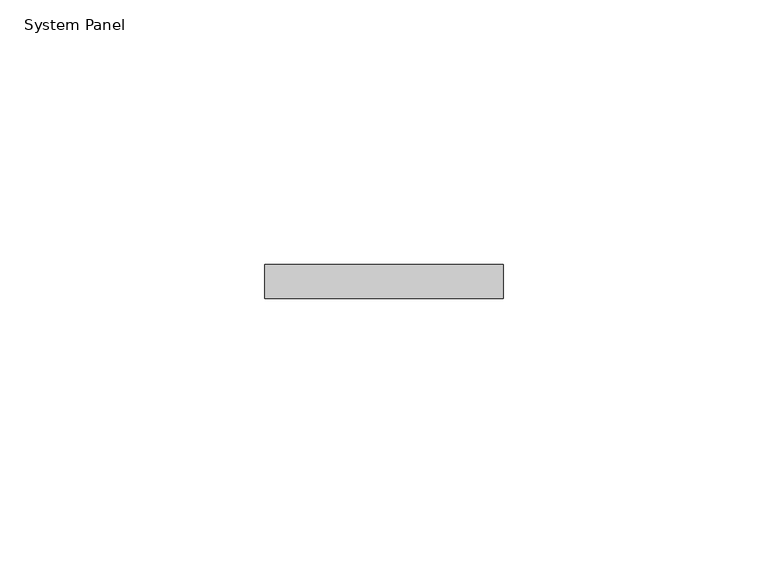
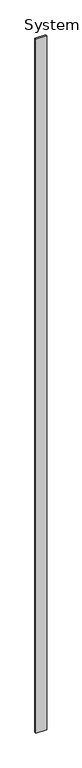
"""IFC4 building model written with IfcOpenShell, lengths in millimetres: plate geometry, System Panel."""

from ifc_helpers import new_model, si_unit, origin, origin_with_axes, place, context, project, spatial, polyline, outline, extrude, source, transform, mapped, element, save


def system_panel_16e40b1e(model_context):
    return source(origin(), model_context, "Body", "SweptSolid", [
        extrude(outline(polyline([(22.4544536, -6.35), (-22.4544536, -6.35), (-22.4544536, 0.0), (22.4544536, 0.0), (22.4544536, -6.35)])), origin_with_axes(), (0.0, 0.0, 1.0), 3048.0),
    ])


if __name__ == "__main__":
    model = new_model("IFC4")
    model_context = context("Model", 3, world=origin())
    ifc_project = project(units=[si_unit("LENGTHUNIT", "METRE", prefix="MILLI")], contexts=[model_context])
    site = spatial("IfcSite", under=ifc_project)
    building = spatial("IfcBuilding", under=site)
    placement = place(None, origin())
    system_panel_shape = system_panel_16e40b1e(model_context)
    element("IfcPlate", 1, ObjectType="System Panel", at=placement, inside=building, context=model_context, shape_type="MappedRepresentation", body=[
        mapped(system_panel_shape, transform((0.0, 0.0, 0.0), x_axis=(1.0, 0.0, 0.0), y_axis=(0.0, 1.0, 0.0), z_axis=(0.0, 0.0, 1.0))),
    ])
    save(model, "model.ifc")
